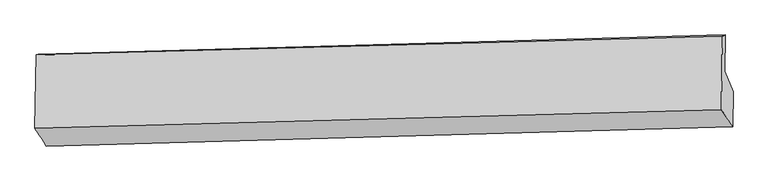
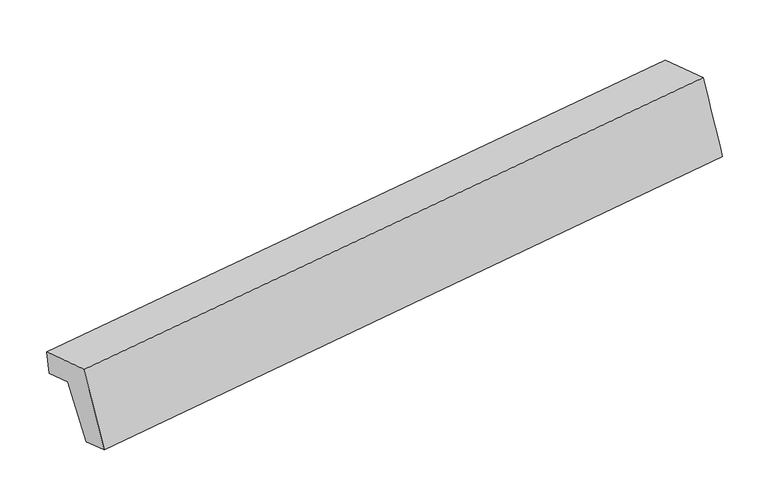
"""IFC4 building model written with IfcOpenShell, lengths in millimetres: proxy geometry."""

from ifc_helpers import new_model, si_unit, frame, origin, place, context, project, spatial, source, transform, mapped, element, save
from ifc_brep_helpers import plane_surface, spline_surface, advanced_brep


def generic_models_69ce0791(model_context):
    return source(origin(), model_context, "Body", "AdvancedBrep", [
        advanced_brep(
        [(-6429.2306872, -1166.7670613, 1740.5286258), (-6440.5531773, -1921.2390304, 1996.251199), (607.5841433, -1729.9957841, 2872.5529299), (618.9066334, -975.523815, 2616.8303567), (-6322.5826648, -2101.2235956, 1107.3908864), (722.9900817, -1903.5787435, 2002.4660668), (-6317.1749084, -1740.8787746, 985.2547321), (728.3978382, -1543.2339224, 1880.3299124), (-6400.7337522, -1532.3019229, 1596.9304705), (644.8389943, -1334.6570707, 2492.0056509), (-6395.1232049, -1158.444171, 1470.2142104), (650.4495417, -960.7993189, 2365.2893907)],
        [
            (0, 1),
            (1, 2),
            (2, 3),
            (3, 0),
            (1, 4),
            (4, 5),
            (5, 2),
            (4, 6),
            (6, 7),
            (7, 5),
            (6, 8),
            (8, 9),
            (9, 7),
            (8, 10),
            (10, 11),
            (11, 9),
            (10, 0),
            (3, 11),
        ],
        [
            plane_surface(frame((-6434.8919322, -1544.0030458, 1868.3899124), z_axis=(-0.12543679191987234, 0.320157328745237, 0.9390233735555069), x_axis=(-0.014211520008644077, -0.9469819274981316, 0.3209723690459468))),
            spline_surface(1, 1, [[(-6440.5531773, -1921.2390304, 1996.251199), (607.5841433, -1729.9957841, 2872.5529299)], [(-6322.5826648, -2101.2235956, 1107.3908864), (722.9900817, -1903.5787435, 2002.4660668)]], [2, 2], [2, 2], [0.0, 1.0], [0.0, 1.0]),
            plane_surface(frame((-6319.8787866, -1921.0511851, 1046.3228092), z_axis=(0.12822870264322556, -0.3200802914794699, -0.9386724704735157), x_axis=(0.01421152000864415, 0.9469819274981317, -0.32097236904594645))),
            plane_surface(frame((-6358.9543303, -1636.5903487, 1291.0926013), z_axis=(0.014211520008643418, 0.9469819274981336, -0.32097236904594123), x_axis=(-0.1282287026432223, 0.3200802914794647, 0.9386724704735179))),
            plane_surface(frame((-6397.9284786, -1345.373047, 1533.5723405), z_axis=(0.12822870264322503, -0.32008029147947453, -0.9386724704735141), x_axis=(0.014211520008622391, 0.9469819274981295, -0.3209723690459539))),
            spline_surface(1, 1, [[(-6395.1232049, -1158.444171, 1470.2142104), (650.4495417, -960.7993189, 2365.2893907)], [(-6429.2306872, -1166.7670613, 1740.5286258), (618.9066334, -975.523815, 2616.8303567)]], [2, 2], [2, 2], [0.0, 1.0], [0.0, 1.0]),
            plane_surface(frame((662.1945388, -1407.9647758, 2371.5790512), z_axis=(0.9916427948195242, 0.027817907871411477, 0.1259790914564029), x_axis=(0.014211520008622391, 0.9469819274981295, -0.3209723690459539))),
            plane_surface(frame((-6384.2330658, -1603.4757593, 1482.7616874), z_axis=(-0.9916427948195249, -0.02781790787141019, -0.12597909145639707), x_axis=(0.12512613360040797, 0.030533214614149744, -0.9916708997926375))),
        ],
        [
            (0, [[1, 2, 3, 4]]),
            (1, [[5, 6, 7, -2]]),
            (2, [[8, 9, 10, -6]]),
            (3, [[11, 12, 13, -9]]),
            (4, [[14, 15, 16, -12]]),
            (5, [[17, -4, 18, -15]]),
            (6, [[-16, -18, -3, -7, -10, -13]]),
            (7, [[-17, -14, -11, -8, -5, -1]]),
        ],
    ),
    ])


if __name__ == "__main__":
    model = new_model("IFC4")
    model_context = context("Model", 3, world=origin())
    ifc_project = project(units=[si_unit("LENGTHUNIT", "METRE", prefix="MILLI")], contexts=[model_context])
    site = spatial("IfcSite", under=ifc_project)
    building = spatial("IfcBuilding", under=site)
    placement = place(None, origin())
    generic_models_shape = generic_models_69ce0791(model_context)
    element("IfcBuildingElementProxy", 1, Name="Generic Models", at=placement, inside=building, context=model_context, shape_type="MappedRepresentation", body=[
        mapped(generic_models_shape, transform((0.0, 0.0, 0.0), x_axis=(1.0, 0.0, 0.0), y_axis=(0.0, 1.0, 0.0), z_axis=(0.0, 0.0, 1.0))),
    ])
    save(model, "model.ifc")
